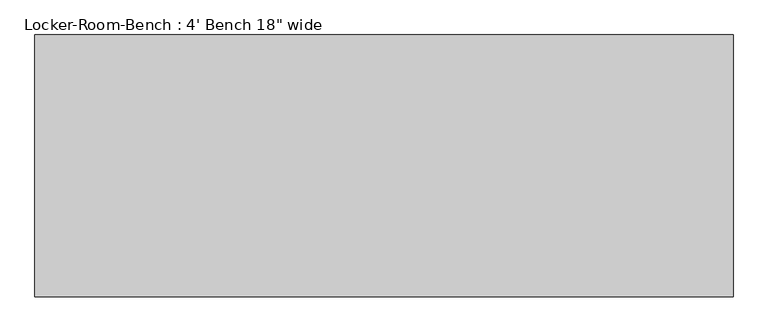
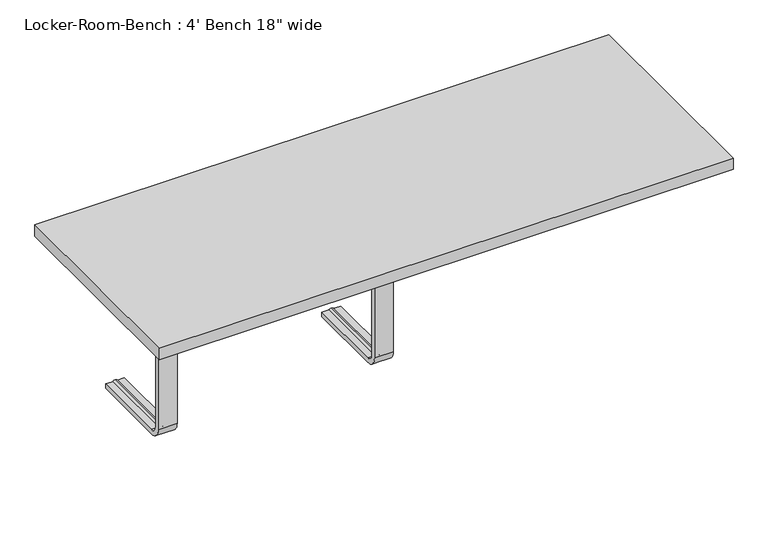
"""IFC4 building model written with IfcOpenShell, lengths in millimetres: proxy geometry."""

from ifc_helpers import new_model, si_unit, point, frame, origin, place, context, project, spatial, polyline, circle_curve, ellipse_curve, trimmed, outline, extrude, source, transform, mapped, element, save
from ifc_brep_helpers import plane_surface, cylinder_surface, revolved_surface, advanced_brep


def proxy_164a90a4(model_context):
    return source(origin(), model_context, "Body", "SolidModel", [
        advanced_brep(
        [(-439.6, 193.6, 381.4), (-439.6, 193.6, 371.4), (-454.6, 193.6, 371.4), (-459.6, 193.6, 369.0684617), (-464.6, 193.6, 371.4), (-479.6, 193.6, 371.4), (-479.6, 193.6, 381.4), (-479.6, 25.0, 381.4), (-439.6, 25.0, 381.4), (-479.6, 25.0, 371.4), (-479.6, 10.0, 356.4), (-479.6, 10.0, 40.0), (-479.6, 25.0, 25.0), (-479.6, 193.6, 25.0), (-479.6, 193.6, 15.0), (-479.6, 25.0, 15.0), (-479.6, 0.0, 40.0), (-479.6, 0.0, 356.4), (-464.6, 25.0, 371.4), (-459.6, 25.0, 369.0684617), (-454.6, 25.0, 371.4), (-439.6, 25.0, 371.4), (-439.6, 0.0, 356.4), (-439.6, 0.0, 40.0), (-439.6, 25.0, 15.0), (-439.6, 193.6, 15.0), (-439.6, 193.6, 25.0), (-439.6, 25.0, 25.0), (-439.6, 10.0, 40.0), (-439.6, 10.0, 356.4), (-464.6, 10.0, 356.4), (-459.6, 12.3315383, 356.4), (-454.6, 10.0, 356.4), (-464.6, 10.0, 40.0), (-459.6, 12.3315383, 40.0), (-454.6, 10.0, 40.0), (-464.6, 25.0, 25.0), (-459.6, 25.0, 27.3315383), (-454.6, 25.0, 25.0), (-464.6, 193.6, 25.0), (-459.6, 193.6, 27.3315383), (-454.6, 193.6, 25.0)],
        [
            (0, 1),
            (1, 2),
            (2, 3, circle_curve(frame((-459.3003591, 193.6, 374.9529162), z_axis=(0.0, 1.0, 0.0), x_axis=(0.0, 0.0, 1.0)), 5.8920785)),
            (3, 4, circle_curve(frame((-459.8996409, 193.6, 374.9529162), z_axis=(0.0, 1.0, 0.0), x_axis=(0.0, 0.0, 1.0)), 5.8920785)),
            (4, 5),
            (5, 6),
            (6, 0),
            (6, 7),
            (7, 8),
            (8, 0),
            (5, 9),
            (9, 10, circle_curve(frame((-479.6, 25.0, 356.4), z_axis=(1.0, 0.0, 0.0), x_axis=(0.0, 0.0, 1.0)), 15.0)),
            (10, 11),
            (11, 12, circle_curve(frame((-479.6, 25.0, 40.0), z_axis=(1.0, 0.0, 0.0), x_axis=(0.0, -1.0, 0.0)), 15.0)),
            (12, 13),
            (13, 14),
            (14, 15),
            (15, 16, circle_curve(frame((-479.6, 25.0, 40.0), z_axis=(-1.0, 0.0, 0.0), x_axis=(0.0, -1.0, 0.0)), 25.0)),
            (16, 17),
            (17, 7, circle_curve(frame((-479.6, 25.0, 356.4), z_axis=(-1.0, 0.0, 0.0), x_axis=(0.0, 0.0, 1.0)), 25.0)),
            (4, 18),
            (18, 9),
            (3, 19),
            (19, 18, circle_curve(frame((-459.8996409, 25.0, 374.9529162), z_axis=(0.0, 1.0, 0.0), x_axis=(0.0, 0.0, 1.0)), 5.8920785)),
            (2, 20),
            (20, 19, circle_curve(frame((-459.3003591, 25.0, 374.9529162), z_axis=(0.0, 1.0, 0.0), x_axis=(0.0, 0.0, 1.0)), 5.8920785)),
            (1, 21),
            (21, 20),
            (8, 22, circle_curve(frame((-439.6, 25.0, 356.4), z_axis=(1.0, 0.0, 0.0), x_axis=(0.0, 0.0, 1.0)), 25.0)),
            (22, 23),
            (23, 24, circle_curve(frame((-439.6, 25.0, 40.0), z_axis=(1.0, 0.0, 0.0), x_axis=(0.0, -1.0, 0.0)), 25.0)),
            (24, 25),
            (25, 26),
            (26, 27),
            (27, 28, circle_curve(frame((-439.6, 25.0, 40.0), z_axis=(-1.0, 0.0, 0.0), x_axis=(0.0, -1.0, 0.0)), 15.0)),
            (28, 29),
            (29, 21, circle_curve(frame((-439.6, 25.0, 356.4), z_axis=(-1.0, 0.0, 0.0), x_axis=(0.0, 0.0, 1.0)), 15.0)),
            (17, 22),
            (30, 10),
            (18, 30, circle_curve(frame((-464.6, 25.0, 356.4), z_axis=(1.0, 0.0, 0.0), x_axis=(0.0, 0.0, 1.0)), 15.0)),
            (31, 30, circle_curve(frame((-459.8996409, 6.4470838, 356.4), z_axis=(0.0, 0.0, 1.0), x_axis=(0.0, -1.0, 0.0)), 5.8920785)),
            (19, 31, circle_curve(frame((-459.6, 25.0, 356.4), z_axis=(1.0, 0.0, 0.0), x_axis=(0.0, 0.0, 1.0)), 12.6684617)),
            (32, 31, circle_curve(frame((-459.3003591, 6.4470838, 356.4), z_axis=(0.0, 0.0, 1.0), x_axis=(0.0, -1.0, 0.0)), 5.8920785)),
            (20, 32, circle_curve(frame((-454.6, 25.0, 356.4), z_axis=(1.0, 0.0, 0.0), x_axis=(0.0, 0.0, 1.0)), 15.0)),
            (29, 32),
            (16, 23),
            (30, 33),
            (33, 11),
            (31, 34),
            (34, 33, circle_curve(frame((-459.8996409, 6.4470838, 40.0), z_axis=(0.0, 0.0, 1.0), x_axis=(0.0, -1.0, 0.0)), 5.8920785)),
            (32, 35),
            (35, 34, circle_curve(frame((-459.3003591, 6.4470838, 40.0), z_axis=(0.0, 0.0, 1.0), x_axis=(0.0, -1.0, 0.0)), 5.8920785)),
            (28, 35),
            (15, 24),
            (36, 12),
            (33, 36, circle_curve(frame((-464.6, 25.0, 40.0), z_axis=(1.0, 0.0, 0.0), x_axis=(0.0, -1.0, 0.0)), 15.0)),
            (37, 36, circle_curve(frame((-459.8996409, 25.0, 21.4470838), z_axis=(0.0, -1.0, 0.0), x_axis=(0.0, 0.0, -1.0)), 5.8920785)),
            (34, 37, circle_curve(frame((-459.6, 25.0, 40.0), z_axis=(1.0, 0.0, 0.0), x_axis=(0.0, -1.0, 0.0)), 12.6684617)),
            (38, 37, circle_curve(frame((-459.3003591, 25.0, 21.4470838), z_axis=(0.0, -1.0, 0.0), x_axis=(0.0, 0.0, -1.0)), 5.8920785)),
            (35, 38, circle_curve(frame((-454.6, 25.0, 40.0), z_axis=(1.0, 0.0, 0.0), x_axis=(0.0, -1.0, 0.0)), 15.0)),
            (27, 38),
            (25, 14),
            (13, 39),
            (39, 40, circle_curve(frame((-459.8996409, 193.6, 21.4470838), z_axis=(0.0, 1.0, 0.0), x_axis=(0.0, 0.0, -1.0)), 5.8920785)),
            (40, 41, circle_curve(frame((-459.3003591, 193.6, 21.4470838), z_axis=(0.0, 1.0, 0.0), x_axis=(0.0, 0.0, -1.0)), 5.8920785)),
            (41, 26),
            (36, 39),
            (37, 40),
            (38, 41),
        ],
        [
            plane_surface(frame((-459.6, 193.6, 381.4), z_axis=(0.0, 1.0, 0.0), x_axis=(1.0, 0.0, 0.0))),
            plane_surface(frame((-439.6, 193.6, 381.4), z_axis=(0.0, 0.0, 1.0), x_axis=(0.0, -1.0, 0.0))),
            plane_surface(frame((-479.6, 193.6, 381.4), z_axis=(-1.0, 0.0, 0.0), x_axis=(0.0, -1.0, 0.0))),
            plane_surface(frame((-479.6, 193.6, 371.4), z_axis=(0.0, 0.0, -1.0), x_axis=(0.0, -1.0, 0.0))),
            cylinder_surface(frame((-459.8996409, 193.6, 374.9529162), z_axis=(0.0, 1.0, 0.0), x_axis=(0.0, 0.0, 1.0)), 5.8920785),
            cylinder_surface(frame((-459.3003591, 193.6, 374.9529162), z_axis=(0.0, 1.0, 0.0), x_axis=(0.0, 0.0, 1.0)), 5.8920785),
            plane_surface(frame((-454.6, 193.6, 371.4), z_axis=(0.0, 0.0, -1.0), x_axis=(0.0, -1.0, 0.0))),
            plane_surface(frame((-439.6, 193.6, 371.4), z_axis=(1.0, 0.0, 0.0), x_axis=(0.0, -1.0, 0.0))),
            cylinder_surface(frame((-459.6, 25.0, 356.4), z_axis=(-1.0, 0.0, 0.0), x_axis=(0.0, 0.0, 1.0)), 25.0),
            revolved_surface(polyline([(-479.6, 25.0, 371.4), (-464.6, 25.0, 371.4)]), (-459.6, 25.0, 356.4), (-1.0, 0.0, 0.0)),
            revolved_surface(trimmed(ellipse_curve(frame((-459.8996409, 25.0, 374.9529162), z_axis=(0.0, -1.0, 0.0), x_axis=(0.0, 0.0, 1.0)), 5.8920785, 5.8920785), [point((-464.6, 25.0, 371.4))], [point((-459.6, 25.0, 369.0684617))], True, "CARTESIAN"), (-459.6, 25.0, 356.4), (-1.0, 0.0, 0.0)),
            revolved_surface(trimmed(ellipse_curve(frame((-459.3003591, 25.0, 374.9529162), z_axis=(0.0, -1.0, 0.0), x_axis=(0.0, 0.0, 1.0)), 5.8920785, 5.8920785), [point((-459.6, 25.0, 369.0684617))], [point((-454.6, 25.0, 371.4))], True, "CARTESIAN"), (-459.6, 25.0, 356.4), (-1.0, 0.0, 0.0)),
            revolved_surface(polyline([(-454.6, 25.0, 371.4), (-439.6, 25.0, 371.4)]), (-459.6, 25.0, 356.4), (-1.0, 0.0, 0.0)),
            plane_surface(frame((-439.6, 0.0, 356.4), z_axis=(0.0, -1.0, 0.0), x_axis=(0.0, 0.0, -1.0))),
            plane_surface(frame((-479.6, 10.0, 356.4), z_axis=(0.0, 1.0, 0.0), x_axis=(0.0, 0.0, -1.0))),
            cylinder_surface(frame((-459.8996409, 6.4470838, 356.4), z_axis=(0.0, 0.0, 1.0), x_axis=(0.0, -1.0, 0.0)), 5.8920785),
            cylinder_surface(frame((-459.3003591, 6.4470838, 356.4), z_axis=(0.0, 0.0, 1.0), x_axis=(0.0, -1.0, 0.0)), 5.8920785),
            plane_surface(frame((-454.6, 10.0, 356.4), z_axis=(0.0, 1.0, 0.0), x_axis=(0.0, 0.0, -1.0))),
            cylinder_surface(frame((-459.6, 25.0, 40.0), z_axis=(-1.0, 0.0, 0.0), x_axis=(0.0, -1.0, 0.0)), 25.0),
            revolved_surface(polyline([(-479.6, 10.0, 40.0), (-464.6, 10.0, 40.0)]), (-459.6, 25.0, 40.0), (-1.0, 0.0, 0.0)),
            revolved_surface(trimmed(ellipse_curve(frame((-459.8996409, 6.4470838, 40.0), z_axis=(0.0, 0.0, -1.0), x_axis=(0.0, -1.0, 0.0)), 5.8920785, 5.8920785), [point((-464.6, 10.0, 40.0))], [point((-459.6, 12.3315383, 40.0))], True, "CARTESIAN"), (-459.6, 25.0, 40.0), (-1.0, 0.0, 0.0)),
            revolved_surface(trimmed(ellipse_curve(frame((-459.3003591, 6.4470838, 40.0), z_axis=(0.0, 0.0, -1.0), x_axis=(0.0, -1.0, 0.0)), 5.8920785, 5.8920785), [point((-459.6, 12.3315383, 40.0))], [point((-454.6, 10.0, 40.0))], True, "CARTESIAN"), (-459.6, 25.0, 40.0), (-1.0, 0.0, 0.0)),
            revolved_surface(polyline([(-454.6, 10.0, 40.0), (-439.6, 10.0, 40.0)]), (-459.6, 25.0, 40.0), (-1.0, 0.0, 0.0)),
            plane_surface(frame((-459.6, 193.6, 15.0), z_axis=(0.0, 1.0, 0.0), x_axis=(1.0, 0.0, 0.0))),
            plane_surface(frame((-439.6, 25.0, 15.0), z_axis=(0.0, 0.0, -1.0), x_axis=(0.0, 1.0, 0.0))),
            plane_surface(frame((-479.6, 25.0, 25.0), z_axis=(0.0, 0.0, 1.0), x_axis=(0.0, 1.0, 0.0))),
            cylinder_surface(frame((-459.8996409, 25.0, 21.4470838), z_axis=(0.0, -1.0, 0.0), x_axis=(0.0, 0.0, -1.0)), 5.8920785),
            cylinder_surface(frame((-459.3003591, 25.0, 21.4470838), z_axis=(0.0, -1.0, 0.0), x_axis=(0.0, 0.0, -1.0)), 5.8920785),
            plane_surface(frame((-454.6, 25.0, 25.0), z_axis=(0.0, 0.0, 1.0), x_axis=(0.0, 1.0, 0.0))),
        ],
        [
            (0, [[1, 2, 3, 4, 5, 6, 7]]),
            (1, [[8, 9, 10, -7]]),
            (2, [[11, 12, 13, 14, 15, 16, 17, 18, 19, 20, -8, -6]]),
            (3, [[21, 22, -11, -5]]),
            (4, [[23, 24, -21, -4]]),
            (5, [[25, 26, -23, -3]]),
            (6, [[27, 28, -25, -2]]),
            (7, [[-10, 29, 30, 31, 32, 33, 34, 35, 36, 37, -27, -1]]),
            (8, [[38, -29, -9, -20]]),
            (9, [[39, -12, -22, 40]]),
            (10, [[41, -40, -24, 42]]),
            (11, [[43, -42, -26, 44]]),
            (12, [[45, -44, -28, -37]]),
            (13, [[-19, 46, -30, -38]]),
            (14, [[47, 48, -13, -39]]),
            (15, [[49, 50, -47, -41]]),
            (16, [[51, 52, -49, -43]]),
            (17, [[-36, 53, -51, -45]]),
            (18, [[54, -31, -46, -18]]),
            (19, [[55, -14, -48, 56]]),
            (20, [[57, -56, -50, 58]]),
            (21, [[59, -58, -52, 60]]),
            (22, [[61, -60, -53, -35]]),
            (23, [[62, -16, 63, 64, 65, 66, -33]]),
            (24, [[-17, -62, -32, -54]]),
            (25, [[67, -63, -15, -55]]),
            (26, [[68, -64, -67, -57]]),
            (27, [[69, -65, -68, -59]]),
            (28, [[-34, -66, -69, -61]]),
        ],
    ),
        advanced_brep(
        [(20.0, 193.6, 381.4), (20.0, 193.6, 371.4), (5.0, 193.6, 371.4), (0.0, 193.6, 369.0684617), (-5.0, 193.6, 371.4), (-20.0, 193.6, 371.4), (-20.0, 193.6, 381.4), (-20.0, 25.0, 381.4), (20.0, 25.0, 381.4), (-20.0, 25.0, 371.4), (-20.0, 10.0, 356.4), (-20.0, 10.0, 40.0), (-20.0, 25.0, 25.0), (-20.0, 193.6, 25.0), (-20.0, 193.6, 15.0), (-20.0, 25.0, 15.0), (-20.0, 0.0, 40.0), (-20.0, 0.0, 356.4), (-5.0, 25.0, 371.4), (0.0, 25.0, 369.0684617), (5.0, 25.0, 371.4), (20.0, 25.0, 371.4), (20.0, 0.0, 356.4), (20.0, 0.0, 40.0), (20.0, 25.0, 15.0), (20.0, 193.6, 15.0), (20.0, 193.6, 25.0), (20.0, 25.0, 25.0), (20.0, 10.0, 40.0), (20.0, 10.0, 356.4), (-5.0, 10.0, 356.4), (0.0, 12.3315383, 356.4), (5.0, 10.0, 356.4), (-5.0, 10.0, 40.0), (0.0, 12.3315383, 40.0), (5.0, 10.0, 40.0), (-5.0, 25.0, 25.0), (0.0, 25.0, 27.3315383), (5.0, 25.0, 25.0), (-5.0, 193.6, 25.0), (0.0, 193.6, 27.3315383), (5.0, 193.6, 25.0)],
        [
            (0, 1),
            (1, 2),
            (2, 3, circle_curve(frame((0.2996409, 193.6, 374.9529162), z_axis=(0.0, 1.0, 0.0), x_axis=(0.0, 0.0, 1.0)), 5.8920785)),
            (3, 4, circle_curve(frame((-0.2996409, 193.6, 374.9529162), z_axis=(0.0, 1.0, 0.0), x_axis=(0.0, 0.0, 1.0)), 5.8920785)),
            (4, 5),
            (5, 6),
            (6, 0),
            (6, 7),
            (7, 8),
            (8, 0),
            (5, 9),
            (9, 10, circle_curve(frame((-20.0, 25.0, 356.4), z_axis=(1.0, 0.0, 0.0), x_axis=(0.0, 0.0, 1.0)), 15.0)),
            (10, 11),
            (11, 12, circle_curve(frame((-20.0, 25.0, 40.0), z_axis=(1.0, 0.0, 0.0), x_axis=(0.0, -1.0, 0.0)), 15.0)),
            (12, 13),
            (13, 14),
            (14, 15),
            (15, 16, circle_curve(frame((-20.0, 25.0, 40.0), z_axis=(-1.0, 0.0, 0.0), x_axis=(0.0, -1.0, 0.0)), 25.0)),
            (16, 17),
            (17, 7, circle_curve(frame((-20.0, 25.0, 356.4), z_axis=(-1.0, 0.0, 0.0), x_axis=(0.0, 0.0, 1.0)), 25.0)),
            (4, 18),
            (18, 9),
            (3, 19),
            (19, 18, circle_curve(frame((-0.2996409, 25.0, 374.9529162), z_axis=(0.0, 1.0, 0.0), x_axis=(0.0, 0.0, 1.0)), 5.8920785)),
            (2, 20),
            (20, 19, circle_curve(frame((0.2996409, 25.0, 374.9529162), z_axis=(0.0, 1.0, 0.0), x_axis=(0.0, 0.0, 1.0)), 5.8920785)),
            (1, 21),
            (21, 20),
            (8, 22, circle_curve(frame((20.0, 25.0, 356.4), z_axis=(1.0, 0.0, 0.0), x_axis=(0.0, 0.0, 1.0)), 25.0)),
            (22, 23),
            (23, 24, circle_curve(frame((20.0, 25.0, 40.0), z_axis=(1.0, 0.0, 0.0), x_axis=(0.0, -1.0, 0.0)), 25.0)),
            (24, 25),
            (25, 26),
            (26, 27),
            (27, 28, circle_curve(frame((20.0, 25.0, 40.0), z_axis=(-1.0, 0.0, 0.0), x_axis=(0.0, -1.0, 0.0)), 15.0)),
            (28, 29),
            (29, 21, circle_curve(frame((20.0, 25.0, 356.4), z_axis=(-1.0, 0.0, 0.0), x_axis=(0.0, 0.0, 1.0)), 15.0)),
            (17, 22),
            (30, 10),
            (18, 30, circle_curve(frame((-5.0, 25.0, 356.4), z_axis=(1.0, 0.0, 0.0), x_axis=(0.0, 0.0, 1.0)), 15.0)),
            (31, 30, circle_curve(frame((-0.2996409, 6.4470838, 356.4), z_axis=(0.0, 0.0, 1.0), x_axis=(0.0, -1.0, 0.0)), 5.8920785)),
            (19, 31, circle_curve(frame((0.0, 25.0, 356.4), z_axis=(1.0, 0.0, 0.0), x_axis=(0.0, 0.0, 1.0)), 12.6684617)),
            (32, 31, circle_curve(frame((0.2996409, 6.4470838, 356.4), z_axis=(0.0, 0.0, 1.0), x_axis=(0.0, -1.0, 0.0)), 5.8920785)),
            (20, 32, circle_curve(frame((5.0, 25.0, 356.4), z_axis=(1.0, 0.0, 0.0), x_axis=(0.0, 0.0, 1.0)), 15.0)),
            (29, 32),
            (16, 23),
            (30, 33),
            (33, 11),
            (31, 34),
            (34, 33, circle_curve(frame((-0.2996409, 6.4470838, 40.0), z_axis=(0.0, 0.0, 1.0), x_axis=(0.0, -1.0, 0.0)), 5.8920785)),
            (32, 35),
            (35, 34, circle_curve(frame((0.2996409, 6.4470838, 40.0), z_axis=(0.0, 0.0, 1.0), x_axis=(0.0, -1.0, 0.0)), 5.8920785)),
            (28, 35),
            (15, 24),
            (36, 12),
            (33, 36, circle_curve(frame((-5.0, 25.0, 40.0), z_axis=(1.0, 0.0, 0.0), x_axis=(0.0, -1.0, 0.0)), 15.0)),
            (37, 36, circle_curve(frame((-0.2996409, 25.0, 21.4470838), z_axis=(0.0, -1.0, 0.0), x_axis=(0.0, 0.0, -1.0)), 5.8920785)),
            (34, 37, circle_curve(frame((0.0, 25.0, 40.0), z_axis=(1.0, 0.0, 0.0), x_axis=(0.0, -1.0, 0.0)), 12.6684617)),
            (38, 37, circle_curve(frame((0.2996409, 25.0, 21.4470838), z_axis=(0.0, -1.0, 0.0), x_axis=(0.0, 0.0, -1.0)), 5.8920785)),
            (35, 38, circle_curve(frame((5.0, 25.0, 40.0), z_axis=(1.0, 0.0, 0.0), x_axis=(0.0, -1.0, 0.0)), 15.0)),
            (27, 38),
            (25, 14),
            (13, 39),
            (39, 40, circle_curve(frame((-0.2996409, 193.6, 21.4470838), z_axis=(0.0, 1.0, 0.0), x_axis=(0.0, 0.0, -1.0)), 5.8920785)),
            (40, 41, circle_curve(frame((0.2996409, 193.6, 21.4470838), z_axis=(0.0, 1.0, 0.0), x_axis=(0.0, 0.0, -1.0)), 5.8920785)),
            (41, 26),
            (36, 39),
            (37, 40),
            (38, 41),
        ],
        [
            plane_surface(frame((0.0, 193.6, 381.4), z_axis=(0.0, 1.0, 0.0), x_axis=(1.0, 0.0, 0.0))),
            plane_surface(frame((20.0, 193.6, 381.4), z_axis=(0.0, 0.0, 1.0), x_axis=(0.0, -1.0, 0.0))),
            plane_surface(frame((-20.0, 193.6, 381.4), z_axis=(-1.0, 0.0, 0.0), x_axis=(0.0, -1.0, 0.0))),
            plane_surface(frame((-20.0, 193.6, 371.4), z_axis=(0.0, 0.0, -1.0), x_axis=(0.0, -1.0, 0.0))),
            cylinder_surface(frame((-0.2996409, 193.6, 374.9529162), z_axis=(0.0, 1.0, 0.0), x_axis=(0.0, 0.0, 1.0)), 5.8920785),
            cylinder_surface(frame((0.2996409, 193.6, 374.9529162), z_axis=(0.0, 1.0, 0.0), x_axis=(0.0, 0.0, 1.0)), 5.8920785),
            plane_surface(frame((5.0, 193.6, 371.4), z_axis=(0.0, 0.0, -1.0), x_axis=(0.0, -1.0, 0.0))),
            plane_surface(frame((20.0, 193.6, 371.4), z_axis=(1.0, 0.0, 0.0), x_axis=(0.0, -1.0, 0.0))),
            cylinder_surface(frame((0.0, 25.0, 356.4), z_axis=(-1.0, 0.0, 0.0), x_axis=(0.0, 0.0, 1.0)), 25.0),
            revolved_surface(polyline([(-20.0, 25.0, 371.4), (-5.0, 25.0, 371.4)]), (0.0, 25.0, 356.4), (-1.0, 0.0, 0.0)),
            revolved_surface(trimmed(ellipse_curve(frame((-0.2996409, 25.0, 374.9529162), z_axis=(0.0, -1.0, 0.0), x_axis=(0.0, 0.0, 1.0)), 5.8920785, 5.8920785), [point((-5.0, 25.0, 371.4))], [point((0.0, 25.0, 369.0684617))], True, "CARTESIAN"), (0.0, 25.0, 356.4), (-1.0, 0.0, 0.0)),
            revolved_surface(trimmed(ellipse_curve(frame((0.2996409, 25.0, 374.9529162), z_axis=(0.0, -1.0, 0.0), x_axis=(0.0, 0.0, 1.0)), 5.8920785, 5.8920785), [point((0.0, 25.0, 369.0684617))], [point((5.0, 25.0, 371.4))], True, "CARTESIAN"), (0.0, 25.0, 356.4), (-1.0, 0.0, 0.0)),
            revolved_surface(polyline([(5.0, 25.0, 371.4), (20.0, 25.0, 371.4)]), (0.0, 25.0, 356.4), (-1.0, 0.0, 0.0)),
            plane_surface(frame((20.0, 0.0, 356.4), z_axis=(0.0, -1.0, 0.0), x_axis=(0.0, 0.0, -1.0))),
            plane_surface(frame((-20.0, 10.0, 356.4), z_axis=(0.0, 1.0, 0.0), x_axis=(0.0, 0.0, -1.0))),
            cylinder_surface(frame((-0.2996409, 6.4470838, 356.4), z_axis=(0.0, 0.0, 1.0), x_axis=(0.0, -1.0, 0.0)), 5.8920785),
            cylinder_surface(frame((0.2996409, 6.4470838, 356.4), z_axis=(0.0, 0.0, 1.0), x_axis=(0.0, -1.0, 0.0)), 5.8920785),
            plane_surface(frame((5.0, 10.0, 356.4), z_axis=(0.0, 1.0, 0.0), x_axis=(0.0, 0.0, -1.0))),
            cylinder_surface(frame((0.0, 25.0, 40.0), z_axis=(-1.0, 0.0, 0.0), x_axis=(0.0, -1.0, 0.0)), 25.0),
            revolved_surface(polyline([(-20.0, 10.0, 40.0), (-5.0, 10.0, 40.0)]), (0.0, 25.0, 40.0), (-1.0, 0.0, 0.0)),
            revolved_surface(trimmed(ellipse_curve(frame((-0.2996409, 6.4470838, 40.0), z_axis=(0.0, 0.0, -1.0), x_axis=(0.0, -1.0, 0.0)), 5.8920785, 5.8920785), [point((-5.0, 10.0, 40.0))], [point((0.0, 12.3315383, 40.0))], True, "CARTESIAN"), (0.0, 25.0, 40.0), (-1.0, 0.0, 0.0)),
            revolved_surface(trimmed(ellipse_curve(frame((0.2996409, 6.4470838, 40.0), z_axis=(0.0, 0.0, -1.0), x_axis=(0.0, -1.0, 0.0)), 5.8920785, 5.8920785), [point((0.0, 12.3315383, 40.0))], [point((5.0, 10.0, 40.0))], True, "CARTESIAN"), (0.0, 25.0, 40.0), (-1.0, 0.0, 0.0)),
            revolved_surface(polyline([(5.0, 10.0, 40.0), (20.0, 10.0, 40.0)]), (0.0, 25.0, 40.0), (-1.0, 0.0, 0.0)),
            plane_surface(frame((0.0, 193.6, 15.0), z_axis=(0.0, 1.0, 0.0), x_axis=(1.0, 0.0, 0.0))),
            plane_surface(frame((20.0, 25.0, 15.0), z_axis=(0.0, 0.0, -1.0), x_axis=(0.0, 1.0, 0.0))),
            plane_surface(frame((-20.0, 25.0, 25.0), z_axis=(0.0, 0.0, 1.0), x_axis=(0.0, 1.0, 0.0))),
            cylinder_surface(frame((-0.2996409, 25.0, 21.4470838), z_axis=(0.0, -1.0, 0.0), x_axis=(0.0, 0.0, -1.0)), 5.8920785),
            cylinder_surface(frame((0.2996409, 25.0, 21.4470838), z_axis=(0.0, -1.0, 0.0), x_axis=(0.0, 0.0, -1.0)), 5.8920785),
            plane_surface(frame((5.0, 25.0, 25.0), z_axis=(0.0, 0.0, 1.0), x_axis=(0.0, 1.0, 0.0))),
        ],
        [
            (0, [[1, 2, 3, 4, 5, 6, 7]]),
            (1, [[8, 9, 10, -7]]),
            (2, [[11, 12, 13, 14, 15, 16, 17, 18, 19, 20, -8, -6]]),
            (3, [[21, 22, -11, -5]]),
            (4, [[23, 24, -21, -4]]),
            (5, [[25, 26, -23, -3]]),
            (6, [[27, 28, -25, -2]]),
            (7, [[-10, 29, 30, 31, 32, 33, 34, 35, 36, 37, -27, -1]]),
            (8, [[38, -29, -9, -20]]),
            (9, [[39, -12, -22, 40]]),
            (10, [[41, -40, -24, 42]]),
            (11, [[43, -42, -26, 44]]),
            (12, [[45, -44, -28, -37]]),
            (13, [[-19, 46, -30, -38]]),
            (14, [[47, 48, -13, -39]]),
            (15, [[49, 50, -47, -41]]),
            (16, [[51, 52, -49, -43]]),
            (17, [[-36, 53, -51, -45]]),
            (18, [[54, -31, -46, -18]]),
            (19, [[55, -14, -48, 56]]),
            (20, [[57, -56, -50, 58]]),
            (21, [[59, -58, -52, 60]]),
            (22, [[61, -60, -53, -35]]),
            (23, [[62, -16, 63, 64, 65, 66, -33]]),
            (24, [[-17, -62, -32, -54]]),
            (25, [[67, -63, -15, -55]]),
            (26, [[68, -64, -67, -57]]),
            (27, [[69, -65, -68, -59]]),
            (28, [[-34, -66, -69, -61]]),
        ],
    ),
        extrude(outline(polyline([(609.6, -228.6), (-609.6, -228.6), (-609.6, 228.6), (609.6, 228.6), (609.6, -228.6)])), frame((0.0, 0.0, 381.4), z_axis=(0.0, 0.0, 1.0), x_axis=(1.0, 0.0, 0.0)), (0.0, 0.0, 1.0), 25.0),
    ])


if __name__ == "__main__":
    model = new_model("IFC4")
    model_context = context("Model", 3, world=origin())
    ifc_project = project(units=[si_unit("LENGTHUNIT", "METRE", prefix="MILLI")], contexts=[model_context])
    site = spatial("IfcSite", under=ifc_project)
    building = spatial("IfcBuilding", under=site)
    placement = place(None, origin())
    proxy_shape = proxy_164a90a4(model_context)
    element("IfcBuildingElementProxy", 1, Name="Locker-Room-Bench : 4' Bench 18\" wide", ObjectType="Locker-Room-Bench : 4' Bench 18\" wide", at=placement, inside=building, context=model_context, shape_type="MappedRepresentation", body=[
        mapped(proxy_shape, transform((0.0, 0.0, 0.0), x_axis=(1.0, 0.0, 0.0), y_axis=(0.0, 1.0, 0.0), z_axis=(0.0, 0.0, 1.0))),
    ])
    save(model, "model.ifc")
